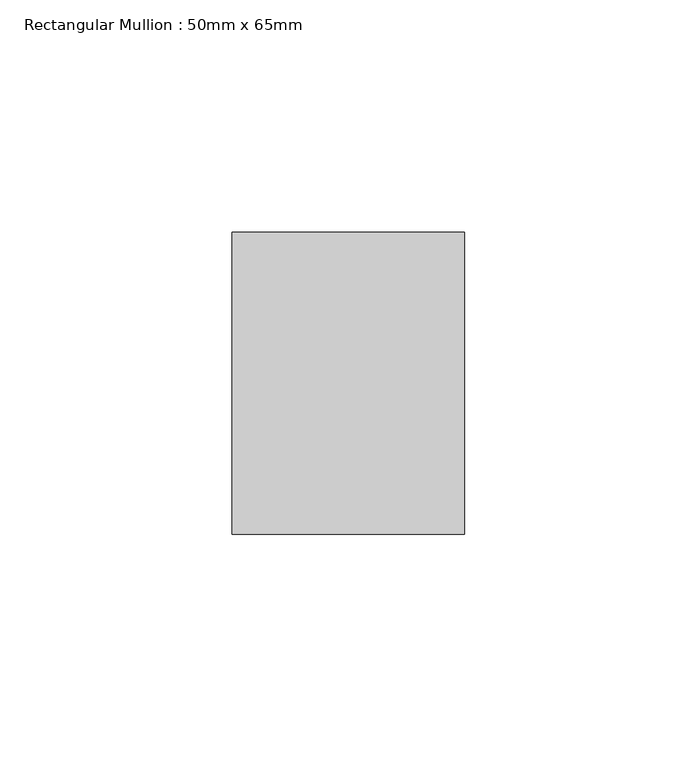
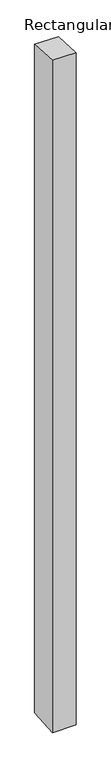
"""IFC4 building model written with IfcOpenShell, lengths in millimetres: member geometry, Rectangular Mullion : 50mm x 65mm."""

from ifc_helpers import new_model, si_unit, origin, place, context, project, spatial, faceted_brep, source, transform, mapped, element, save


def rectangular_mullion_50mm_x_65mm_c218bd29(model_context):
    return source(origin(), model_context, "Body", "Brep", [
        faceted_brep([(-25.0, 32.5, -1.8978814), (25.0, 32.5, -1.8978625), (25.0, 32.5, -1497.5681115), (-25.0, 32.5, -1497.5680873), (-25.0, -32.5, 1.8978625), (-25.0, -32.5, -1502.4319865), (25.0, -32.5, 1.8978814), (25.0, -32.5, -1502.4320108)], [[[0, 1, 2, 3]], [[4, 0, 3, 5]], [[6, 4, 5, 7]], [[1, 6, 7, 2]], [[1, 0, 4, 6]], [[2, 7, 5, 3]]]),
    ])


if __name__ == "__main__":
    model = new_model("IFC4")
    model_context = context("Model", 3, world=origin())
    ifc_project = project(units=[si_unit("LENGTHUNIT", "METRE", prefix="MILLI")], contexts=[model_context])
    site = spatial("IfcSite", under=ifc_project)
    building = spatial("IfcBuilding", under=site)
    placement = place(None, origin())
    rectangular_mullion_50mm_x_65mm_shape = rectangular_mullion_50mm_x_65mm_c218bd29(model_context)
    element("IfcMember", 1, ObjectType="Rectangular Mullion : 50mm x 65mm", at=placement, inside=building, context=model_context, shape_type="MappedRepresentation", body=[
        mapped(rectangular_mullion_50mm_x_65mm_shape, transform((0.0, 0.0, 0.0), x_axis=(1.0, 0.0, 0.0), y_axis=(0.0, 1.0, 0.0), z_axis=(0.0, 0.0, 1.0))),
    ])
    save(model, "model.ifc")
